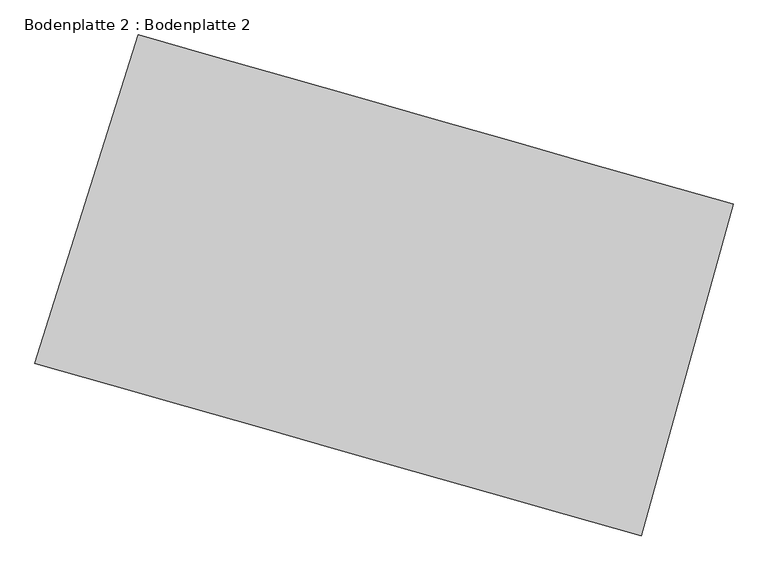
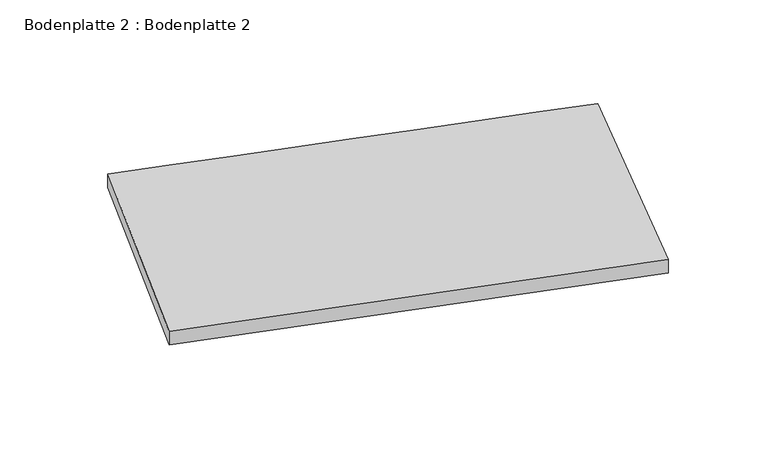
"""IFC4 building model written with IfcOpenShell, lengths in millimetres: proxy geometry, Bodenplatte 2 : Bodenplatte 2."""

from ifc_helpers import new_model, si_unit, frame, origin, place, context, project, spatial, source, transform, mapped, element, save
from ifc_brep_helpers import plane_surface, spline_surface, advanced_brep


def bodenplatte_2_bodenplatte_2_9343af4b(model_context):
    return source(origin(), model_context, "Body", "AdvancedBrep", [
        advanced_brep(
        [(3600.9192864, 17465.9731809, 700.0), (24314.7581961, 11564.4077352, 700.0), (24314.7581961, 11564.4077352, 0.0), (3600.9192864, 17465.9731809, 0.0), (21111.926951, 0.0, 700.0), (0.0, 6015.2565025, 700.0), (0.0, 6015.2565025, 0.0), (21111.926951, 0.0, 0.0)],
        [
            (0, 1),
            (1, 2),
            (2, 3),
            (3, 0),
            (4, 5),
            (5, 6),
            (6, 7),
            (7, 4),
            (4, 1),
            (0, 5),
            (7, 2),
            (6, 3),
        ],
        [
            plane_surface(frame((13957.8387412, 14515.1904581, 350.0), z_axis=(0.2740053071877544, 0.9617281797020114, 0.0), x_axis=(0.0, 0.0, 1.0))),
            plane_surface(frame((10555.9634755, 3007.6282513, 350.0), z_axis=(-0.2740167704205695, -0.9617249136464547, 0.0), x_axis=(0.0, 0.0, 1.0))),
            spline_surface(1, 1, [[(0.0, 6015.2565025, 700.0), (3600.9192864, 17465.9731809, 700.0)], [(21111.926951, 0.0, 700.0), (24314.7581961, 11564.4077352, 700.0)]], [2, 2], [2, 2], [0.0, 1.0], [0.0, 1.0]),
            spline_surface(1, 1, [[(21111.926951, 0.0, 700.0), (24314.7581961, 11564.4077352, 700.0)], [(21111.926951, 0.0, 0.0), (24314.7581961, 11564.4077352, 0.0)]], [2, 2], [2, 2], [0.0, 1.0], [0.0, 1.0]),
            spline_surface(1, 1, [[(21111.926951, 0.0, 0.0), (24314.7581961, 11564.4077352, 0.0)], [(0.0, 6015.2565025, 0.0), (3600.9192864, 17465.9731809, 0.0)]], [2, 2], [2, 2], [0.0, 1.0], [0.0, 1.0]),
            spline_surface(1, 1, [[(0.0, 6015.2565025, 0.0), (3600.9192864, 17465.9731809, 0.0)], [(0.0, 6015.2565025, 700.0), (3600.9192864, 17465.9731809, 700.0)]], [2, 2], [2, 2], [0.0, 1.0], [0.0, 1.0]),
        ],
        [
            (0, [[1, 2, 3, 4]]),
            (1, [[5, 6, 7, 8]]),
            (2, [[-5, 9, -1, 10]]),
            (3, [[-8, 11, -2, -9]]),
            (4, [[-7, 12, -3, -11]]),
            (5, [[-6, -10, -4, -12]]),
        ],
    ),
    ])


if __name__ == "__main__":
    model = new_model("IFC4")
    model_context = context("Model", 3, world=origin())
    ifc_project = project(units=[si_unit("LENGTHUNIT", "METRE", prefix="MILLI")], contexts=[model_context])
    site = spatial("IfcSite", under=ifc_project)
    building = spatial("IfcBuilding", under=site)
    placement = place(None, origin())
    bodenplatte_2_bodenplatte_2_shape = bodenplatte_2_bodenplatte_2_9343af4b(model_context)
    element("IfcBuildingElementProxy", 1, Name="Bodenplatte 2 : Bodenplatte 2", ObjectType="Bodenplatte 2 : Bodenplatte 2", at=placement, inside=building, context=model_context, shape_type="MappedRepresentation", body=[
        mapped(bodenplatte_2_bodenplatte_2_shape, transform((0.0, 0.0, 0.0), x_axis=(1.0, 0.0, 0.0), y_axis=(0.0, 1.0, 0.0), z_axis=(0.0, 0.0, 1.0))),
    ])
    save(model, "model.ifc")
